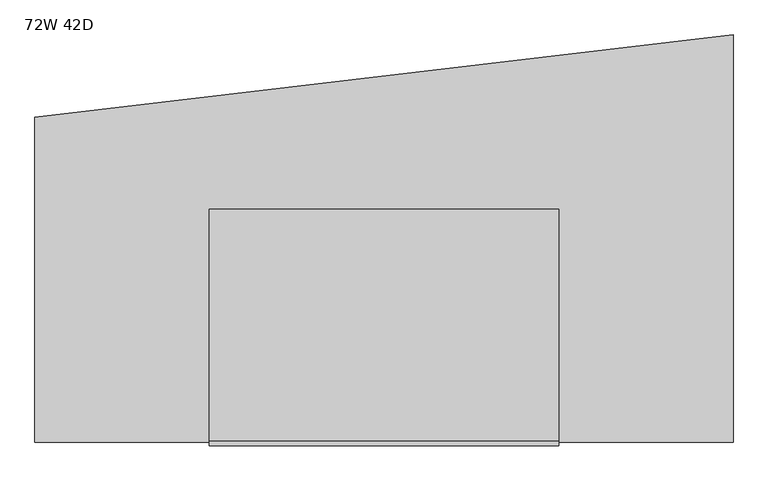
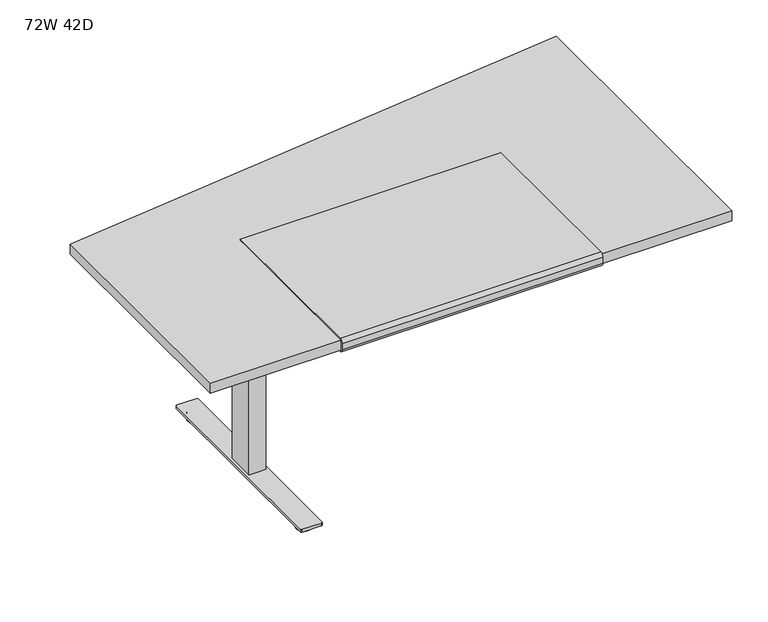
"""IFC4 building model written with IfcOpenShell, lengths in millimetres: furniture geometry, 72W 42D."""

from ifc_helpers import new_model, si_unit, point, frame, frame_2d, origin, origin_with_axes, place, context, project, spatial, polyline, circle_curve, trimmed, segment, composite_curve, outline, extrude, source, transform, mapped, element, save


def furniture_72w_42d_8cdc5098(model_context):
    return source(origin(), model_context, "Body", "SweptSolid", [
        extrude(outline(composite_curve([segment(polyline([(-1076.1981828, 711.2566341), (-1076.1981828, 706.2597008)]), True, "CONTINUOUS"), segment(trimmed(circle_curve(frame_2d((-1076.1981828, 718.9597008)), 12.7), [point((-1076.1981828, 706.2597008))], [point((-1088.8981828, 718.9597008))], False, "CARTESIAN"), True, "CONTINUOUS"), segment(polyline([(-1088.8981828, 718.9597008), (-1088.8981828, 741.3625)]), True, "CONTINUOUS"), segment(trimmed(circle_curve(frame_2d((-1076.1981828, 741.3625)), 12.7), [point((-1088.8981828, 741.3625))], [point((-1076.1981828, 754.0625))], False, "CARTESIAN"), True, "CONTINUOUS"), segment(polyline([(-1076.1981828, 754.0625), (-469.7731828, 754.0625), (-469.7731828, 749.3), (-1076.0350132, 749.3)]), True, "CONTINUOUS"), segment(trimmed(circle_curve(frame_2d((-1076.0350132, 741.3625)), 7.9375), [point((-1076.0350132, 749.3))], [point((-1083.9725132, 741.3625))], True, "CARTESIAN"), True, "CONTINUOUS"), segment(polyline([(-1083.9725132, 741.3625), (-1083.9725132, 717.6066341)]), True, "CONTINUOUS"), segment(trimmed(circle_curve(frame_2d((-1077.6225132, 717.6066341)), 6.35), [point((-1083.9725132, 717.6066341))], [point((-1077.6225132, 711.2566341))], True, "CARTESIAN"), True, "CONTINUOUS"), segment(polyline([(-1077.6225132, 711.2566341), (-1076.1981828, 711.2566341)]), True, "CONTINUOUS")], self_intersect=False)), frame((-469.9, 0.0, 0.0), z_axis=(1.0, 0.0, 0.0), x_axis=(0.0, 1.0, 0.0)), (0.0, 0.0, 1.0), 914.4),
        extrude(outline(polyline([(-882.65, 692.15), (-882.65, 711.2), (-361.95, 711.2), (-361.95, 692.15), (-563.5625, 635.0), (-681.0375, 635.0), (-882.65, 692.15)])), frame((-567.53125, 0.0, 0.0), z_axis=(1.0, 0.0, 0.0), x_axis=(0.0, 1.0, 0.0)), (0.0, 0.0, 1.0), 2.38125),
        extrude(outline(polyline([(-377.03125, -563.5625), (-377.03125, -681.0375), (-565.15, -681.0375), (-565.15, -563.5625), (-377.03125, -563.5625)])), frame((0.0, 0.0, 655.6375), z_axis=(0.0, 0.0, 1.0), x_axis=(1.0, 0.0, 0.0)), (0.0, 0.0, 1.0), 55.5625),
        extrude(outline(polyline([(-501.65, -577.85), (-501.65, -666.75), (-552.45, -666.75), (-552.45, -577.85), (-501.65, -577.85)])), frame((0.0, 0.0, 654.05), z_axis=(0.0, 0.0, 1.0), x_axis=(1.0, 0.0, 0.0)), (0.0, 0.0, 1.0), 1.5875),
        extrude(outline(polyline([(-497.0859375, -572.29375), (-497.0859375, -672.30625), (-557.0140625, -672.30625), (-557.0140625, -572.29375), (-497.0859375, -572.29375)])), frame((0.0, 0.0, 31.75), z_axis=(0.0, 0.0, 1.0), x_axis=(1.0, 0.0, 0.0)), (0.0, 0.0, 1.0), 622.3),
        extrude(outline(composite_curve([segment(trimmed(circle_curve(frame_2d((-527.05, -952.5)), 25.4), [point((-552.45, -952.5))], [point((-501.65, -952.5))], False, "CARTESIAN"), True, "CONTINUOUS"), segment(trimmed(circle_curve(frame_2d((-527.05, -952.5)), 25.4), [point((-501.65, -952.5))], [point((-552.45, -952.5))], False, "CARTESIAN"), True, "CONTINUOUS")], self_intersect=False)), origin_with_axes(), (0.0, 0.0, 1.0), 9.525),
        extrude(outline(composite_curve([segment(trimmed(circle_curve(frame_2d((-527.05, -292.1)), 25.4), [point((-552.45, -292.1))], [point((-501.65, -292.1))], False, "CARTESIAN"), True, "CONTINUOUS"), segment(trimmed(circle_curve(frame_2d((-527.05, -292.1)), 25.4), [point((-501.65, -292.1))], [point((-552.45, -292.1))], False, "CARTESIAN"), True, "CONTINUOUS")], self_intersect=False)), origin_with_axes(), (0.0, 0.0, 1.0), 9.525),
        extrude(outline(composite_curve([segment(polyline([(-552.45, -952.5), (-552.45, -292.1)]), True, "CONTINUOUS"), segment(trimmed(circle_curve(frame_2d((-527.05, -292.1)), 25.4), [point((-552.45, -292.1))], [point((-527.05, -266.7))], False, "CARTESIAN"), True, "CONTINUOUS"), segment(trimmed(circle_curve(frame_2d((-527.05, -292.1)), 25.4), [point((-527.05, -266.7))], [point((-501.65, -292.1))], False, "CARTESIAN"), True, "CONTINUOUS"), segment(polyline([(-501.65, -292.1), (-501.65, -952.5)]), True, "CONTINUOUS"), segment(trimmed(circle_curve(frame_2d((-527.05, -952.5)), 25.4), [point((-501.65, -952.5))], [point((-527.05, -977.9))], False, "CARTESIAN"), True, "CONTINUOUS"), segment(trimmed(circle_curve(frame_2d((-527.05, -952.5)), 25.4), [point((-527.05, -977.9))], [point((-552.45, -952.5))], False, "CARTESIAN"), True, "CONTINUOUS")], self_intersect=False)), frame((0.0, 0.0, 9.525), z_axis=(0.0, 0.0, 1.0), x_axis=(1.0, 0.0, 0.0)), (0.0, 0.0, 1.0), 12.7),
        extrude(outline(composite_curve([segment(trimmed(circle_curve(frame_2d((-493.7125, -246.0625)), 4.7625), [point((-493.7125, -241.3))], [point((-488.95, -246.0625))], False, "CARTESIAN"), True, "CONTINUOUS"), segment(polyline([(-488.95, -246.0625), (-488.95, -998.5375)]), True, "CONTINUOUS"), segment(trimmed(circle_curve(frame_2d((-493.7125, -998.5375)), 4.7625), [point((-488.95, -998.5375))], [point((-493.7125, -1003.3))], False, "CARTESIAN"), True, "CONTINUOUS"), segment(polyline([(-493.7125, -1003.3), (-560.3875, -1003.3)]), True, "CONTINUOUS"), segment(trimmed(circle_curve(frame_2d((-560.3875, -998.5375)), 4.7625), [point((-560.3875, -1003.3))], [point((-565.15, -998.5375))], False, "CARTESIAN"), True, "CONTINUOUS"), segment(polyline([(-565.15, -998.5375), (-565.15, -246.0625)]), True, "CONTINUOUS"), segment(trimmed(circle_curve(frame_2d((-560.3875, -246.0625)), 4.7625), [point((-565.15, -246.0625))], [point((-560.3875, -241.3))], False, "CARTESIAN"), True, "CONTINUOUS"), segment(polyline([(-560.3875, -241.3), (-493.7125, -241.3)]), True, "CONTINUOUS")], self_intersect=False)), frame((0.0, 0.0, 22.225), z_axis=(0.0, 0.0, 1.0), x_axis=(1.0, 0.0, 0.0)), (0.0, 0.0, 1.0), 9.525),
        extrude(outline(polyline([(669.925, -292.1), (669.925, -800.1), (593.725, -800.1), (593.725, -292.1), (669.925, -292.1)])), frame((0.0, 0.0, 590.55), z_axis=(0.0, 0.0, 1.0), x_axis=(1.0, 0.0, 0.0)), (0.0, 0.0, 1.0), 120.65),
        extrude(outline(polyline([(-927.1, -228.6), (901.7, -12.7), (901.7, -1079.5), (-927.1, -1079.5), (-927.1, -228.6)])), frame((0.0, 0.0, 711.2), z_axis=(0.0, 0.0, 1.0), x_axis=(1.0, 0.0, 0.0)), (0.0, 0.0, 1.0), 38.1),
    ])


if __name__ == "__main__":
    model = new_model("IFC4")
    model_context = context("Model", 3, world=origin())
    ifc_project = project(units=[si_unit("LENGTHUNIT", "METRE", prefix="MILLI")], contexts=[model_context])
    site = spatial("IfcSite", under=ifc_project)
    building = spatial("IfcBuilding", under=site)
    placement = place(None, origin())
    furniture_72w_42d_shape = furniture_72w_42d_8cdc5098(model_context)
    element("IfcFurniture", 1, ObjectType="72W 42D", at=placement, inside=building, context=model_context, shape_type="MappedRepresentation", body=[
        mapped(furniture_72w_42d_shape, transform((0.0, 0.0, 0.0), x_axis=(1.0, 0.0, 0.0), y_axis=(0.0, 1.0, 0.0), z_axis=(0.0, 0.0, 1.0))),
    ])
    save(model, "model.ifc")
